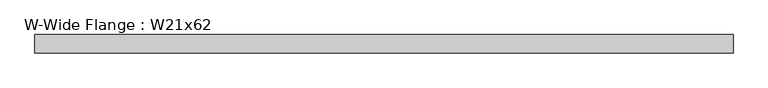
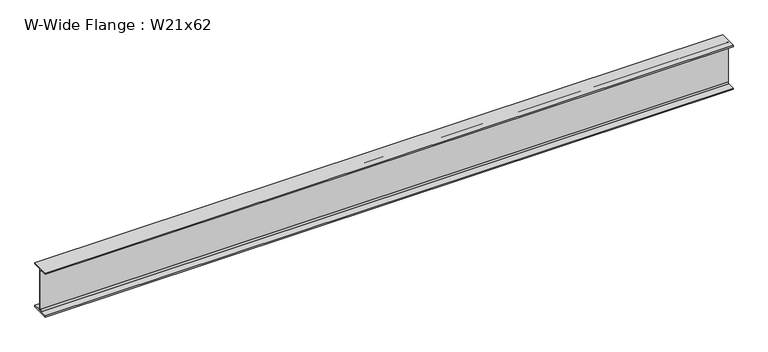
"""IFC4 building model written with IfcOpenShell, lengths in millimetres: beam geometry, W-Wide Flange : W21x62."""

from ifc_helpers import new_model, si_unit, point, frame, frame_2d, origin, place, context, project, spatial, polyline, circle_curve, trimmed, segment, composite_curve, outline, extrude, source, transform, mapped, element, save


def w_wide_flange_w21x62_132f8601(model_context):
    return source(origin(), model_context, "Body", "SweptSolid", [
        extrude(outline(composite_curve([segment(polyline([(104.648, -251.079), (104.648, -266.7), (-104.648, -266.7), (-104.648, -251.079), (-22.7965, -251.079)]), True, "CONTINUOUS"), segment(trimmed(circle_curve(frame_2d((-22.7965, -233.3625)), 17.7165), [point((-22.7965, -251.079))], [point((-5.08, -233.3625))], True, "CARTESIAN"), True, "CONTINUOUS"), segment(polyline([(-5.08, -233.3625), (-5.08, 233.3625)]), True, "CONTINUOUS"), segment(trimmed(circle_curve(frame_2d((-22.7965, 233.3625)), 17.7165), [point((-5.08, 233.3625))], [point((-22.7965, 251.079))], True, "CARTESIAN"), True, "CONTINUOUS"), segment(polyline([(-22.7965, 251.079), (-104.648, 251.079), (-104.648, 266.7), (104.648, 266.7), (104.648, 251.079), (22.7965, 251.079)]), True, "CONTINUOUS"), segment(trimmed(circle_curve(frame_2d((22.7965, 233.3625)), 17.7165), [point((22.7965, 251.079))], [point((5.08, 233.3625))], True, "CARTESIAN"), True, "CONTINUOUS"), segment(polyline([(5.08, 233.3625), (5.08, -233.3625)]), True, "CONTINUOUS"), segment(trimmed(circle_curve(frame_2d((22.7965, -233.3625)), 17.7165), [point((5.08, -233.3625))], [point((22.7965, -251.079))], True, "CARTESIAN"), True, "CONTINUOUS"), segment(polyline([(22.7965, -251.079), (104.648, -251.079)]), True, "CONTINUOUS")], self_intersect=False)), frame((-4018.8146305, 0.0, 0.0), z_axis=(1.0, 0.0, 0.0), x_axis=(0.0, 1.0, 0.0)), (0.0, 0.0, 1.0), 7886.8802609),
    ])


if __name__ == "__main__":
    model = new_model("IFC4")
    model_context = context("Model", 3, world=origin())
    ifc_project = project(units=[si_unit("LENGTHUNIT", "METRE", prefix="MILLI")], contexts=[model_context])
    site = spatial("IfcSite", under=ifc_project)
    building = spatial("IfcBuilding", under=site)
    placement = place(None, origin())
    w_wide_flange_w21x62_shape = w_wide_flange_w21x62_132f8601(model_context)
    element("IfcBeam", 1, ObjectType="W-Wide Flange : W21x62", at=placement, inside=building, context=model_context, shape_type="MappedRepresentation", body=[
        mapped(w_wide_flange_w21x62_shape, transform((0.0, 0.0, 0.0), x_axis=(1.0, 0.0, 0.0), y_axis=(0.0, 1.0, 0.0), z_axis=(0.0, 0.0, 1.0))),
    ])
    save(model, "model.ifc")
